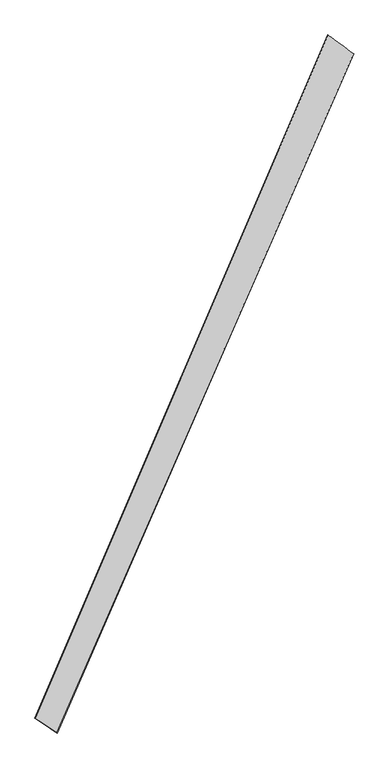
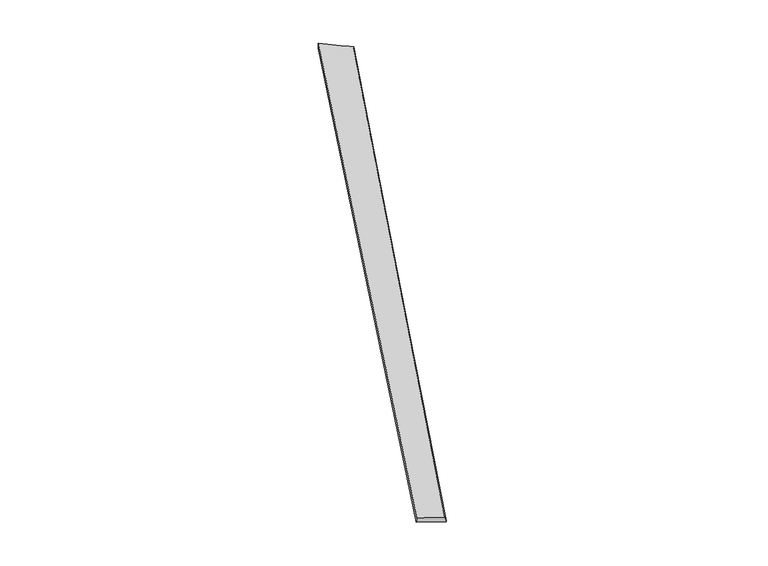
"""IFC4 building model written with IfcOpenShell, lengths in millimetres: proxy geometry."""

from ifc_helpers import new_model, si_unit, origin, place, context, project, spatial, source, transform, mapped, element, save
from ifc_brep_helpers import spline_surface, advanced_brep


def generic_models_8f427440(model_context):
    return source(origin(), model_context, "Body", "AdvancedBrep", [
        advanced_brep(
        [(-703.0762643, -1781.1265362, 5.140219), (-696.1503843, -1784.2339542, -23.8834978), (983.4343697, 2067.3772477, -34.0444091), (984.7627309, 2066.866379, -4.0781869), (-822.7270594, -1698.7934434, -35.0339604), (837.5979712, 2174.6704736, -25.8968289), (-820.4896169, -1699.8228676, -5.135229), (838.8031503, 2174.0830247, 4.0731969)],
        [
            (0, 1),
            (1, 2),
            (2, 3),
            (3, 0),
            (1, 4),
            (4, 5),
            (5, 2),
            (4, 6),
            (6, 7),
            (7, 5),
            (6, 0),
            (3, 7),
        ],
        [
            spline_surface(1, 1, [[(-703.0762643, -1781.1265362, 5.140219), (984.7627309, 2066.866379, -4.0781869)], [(-696.1503843, -1784.2339542, -23.8834978), (983.4343697, 2067.3772477, -34.0444091)]], [2, 2], [2, 2], [0.0, 1.0], [0.0, 1.0]),
            spline_surface(1, 1, [[(-696.1503843, -1784.2339542, -23.8834978), (983.4343697, 2067.3772477, -34.0444091)], [(-822.7270594, -1698.7934434, -35.0339604), (837.5979712, 2174.6704736, -25.8968289)]], [2, 2], [2, 2], [0.0, 1.0], [0.0, 1.0]),
            spline_surface(1, 1, [[(-822.7270594, -1698.7934434, -35.0339604), (837.5979712, 2174.6704736, -25.8968289)], [(-820.4896169, -1699.8228676, -5.135229), (838.8031503, 2174.0830247, 4.0731969)]], [2, 2], [2, 2], [0.0, 1.0], [0.0, 1.0]),
            spline_surface(1, 1, [[(-820.4896169, -1699.8228676, -5.135229), (838.8031503, 2174.0830247, 4.0731969)], [(-703.0762643, -1781.1265362, 5.140219), (984.7627309, 2066.866379, -4.0781869)]], [2, 2], [2, 2], [0.0, 1.0], [0.0, 1.0]),
            spline_surface(1, 1, [[(983.4343697, 2067.3772477, -34.0444091), (984.7627309, 2066.866379, -4.0781869)], [(837.5979712, 2174.6704736, -25.8968289), (838.8031503, 2174.0830247, 4.0731969)]], [2, 2], [2, 2], [0.0, 1.0], [0.0, 1.0]),
            spline_surface(1, 1, [[(-820.4896169, -1699.8228676, -5.135229), (-703.0762643, -1781.1265362, 5.140219)], [(-822.7270594, -1698.7934434, -35.0339604), (-696.1503843, -1784.2339542, -23.8834978)]], [2, 2], [2, 2], [0.0, 1.0], [0.0, 1.0]),
        ],
        [
            (0, [[1, 2, 3, 4]]),
            (1, [[5, 6, 7, -2]]),
            (2, [[8, 9, 10, -6]]),
            (3, [[11, -4, 12, -9]]),
            (4, [[-3, -7, -10, -12]]),
            (5, [[-11, -8, -5, -1]]),
        ],
    ),
    ])


if __name__ == "__main__":
    model = new_model("IFC4")
    model_context = context("Model", 3, world=origin())
    ifc_project = project(units=[si_unit("LENGTHUNIT", "METRE", prefix="MILLI")], contexts=[model_context])
    site = spatial("IfcSite", under=ifc_project)
    building = spatial("IfcBuilding", under=site)
    placement = place(None, origin())
    generic_models_shape = generic_models_8f427440(model_context)
    element("IfcBuildingElementProxy", 1, Name="Generic Models", at=placement, inside=building, context=model_context, shape_type="MappedRepresentation", body=[
        mapped(generic_models_shape, transform((0.0, 0.0, 0.0), x_axis=(1.0, 0.0, 0.0), y_axis=(0.0, 1.0, 0.0), z_axis=(0.0, 0.0, 1.0))),
    ])
    save(model, "model.ifc")
